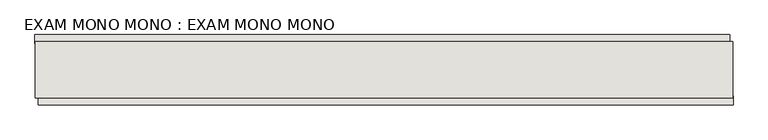
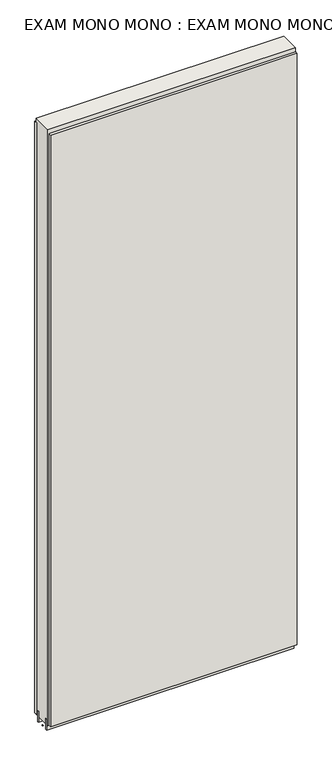
"""IFC4 building model written with IfcOpenShell, lengths in millimetres: wall geometry, EXAM MONO MONO : EXAM MONO MONO."""

from ifc_helpers import new_model, si_unit, frame, origin, place, context, project, spatial, polyline, outline, extrude, source, transform, mapped, element, save


def exam_mono_mono_exam_mono_mono_ea0d36a6(model_context):
    return source(origin(), model_context, "Body", "SweptSolid", [
        extrude(outline(polyline([(78089.855504, -56638.327668), (78087.315504, -56638.327668), (78087.315504, -56635.787668), (78089.855504, -56635.787668), (78089.855504, -56638.327668)])), frame((0.0, 0.0, 4419.6), z_axis=(0.0, 0.0, 1.0), x_axis=(1.0, 0.0, 0.0)), (0.0, 0.0, 1.0), 2.54),
        extrude(outline(polyline([(78086.848652, -56586.257668), (79091.886012, -56586.257668), (79091.886012, -56598.957668), (78086.848652, -56598.957668), (78086.848652, -56586.257668)])), frame((0.0, 0.0, 4445.0), z_axis=(0.0, 0.0, 1.0), x_axis=(1.0, 0.0, 0.0)), (0.0, 0.0, 1.0), 2545.0498756),
        extrude(outline(polyline([(79096.8159488, -56687.857668), (78091.7785888, -56687.857668), (78091.7785888, -56675.157668), (79096.8159488, -56675.157668), (79096.8159488, -56687.857668)])), frame((0.0, 0.0, 4445.0), z_axis=(0.0, 0.0, 1.0), x_axis=(1.0, 0.0, 0.0)), (0.0, 0.0, 1.0), 2545.0498756),
        extrude(outline(polyline([(79096.3627366, -56611.980121), (78087.320457, -56611.980121), (78087.320457, -56606.895168), (79096.3627366, -56606.895168), (79096.3627366, -56611.980121)])), frame((0.0, 0.0, 4418.6602), z_axis=(0.0, 0.0, 1.0), x_axis=(1.0, 0.0, 0.0)), (0.0, 0.0, 1.0), 47.625),
        extrude(outline(polyline([(79096.3627366, -56611.980121), (78087.320457, -56611.980121), (78087.320457, -56606.895168), (79096.3627366, -56606.895168), (79096.3627366, -56611.980121)])), frame((0.0, 0.0, 4418.6602), z_axis=(0.0, 0.0, 1.0), x_axis=(1.0, 0.0, 0.0)), (0.0, 0.0, 1.0), 47.625),
        extrude(outline(polyline([(78087.320457, -56662.1414126), (79096.3627366, -56662.1414126), (79096.3627366, -56667.220168), (78087.320457, -56667.220168), (78087.320457, -56662.1414126)])), frame((0.0, 0.0, 4418.6602), z_axis=(0.0, 0.0, 1.0), x_axis=(1.0, 0.0, 0.0)), (0.0, 0.0, 1.0), 47.625),
        extrude(outline(polyline([(78087.320457, -56662.1414126), (79096.3627366, -56662.1414126), (79096.3627366, -56667.220168), (78087.320457, -56667.220168), (78087.320457, -56662.1414126)])), frame((0.0, 0.0, 4418.6602), z_axis=(0.0, 0.0, 1.0), x_axis=(1.0, 0.0, 0.0)), (0.0, 0.0, 1.0), 47.625),
        extrude(outline(polyline([(79096.3627366, -56596.4089812), (79096.3627366, -56677.7125524), (78087.320457, -56677.7125524), (78087.320457, -56596.4089812), (79096.3627366, -56596.4089812)])), frame((0.0, 0.0, 4445.0), z_axis=(0.0, 0.0, 1.0), x_axis=(1.0, 0.0, 0.0)), (0.0, 0.0, 1.0), 2562.4536762),
    ])


if __name__ == "__main__":
    model = new_model("IFC4")
    model_context = context("Model", 3, world=origin())
    ifc_project = project(units=[si_unit("LENGTHUNIT", "METRE", prefix="MILLI")], contexts=[model_context])
    site = spatial("IfcSite", under=ifc_project)
    building = spatial("IfcBuilding", under=site)
    placement = place(None, origin())
    exam_mono_mono_exam_mono_mono_shape = exam_mono_mono_exam_mono_mono_ea0d36a6(model_context)
    element("IfcWall", 1, ObjectType="EXAM MONO MONO : EXAM MONO MONO", at=placement, inside=building, context=model_context, shape_type="MappedRepresentation", body=[
        mapped(exam_mono_mono_exam_mono_mono_shape, transform((0.0, 0.0, 0.0), x_axis=(1.0, 0.0, 0.0), y_axis=(0.0, 1.0, 0.0), z_axis=(0.0, 0.0, 1.0))),
    ])
    save(model, "model.ifc")
